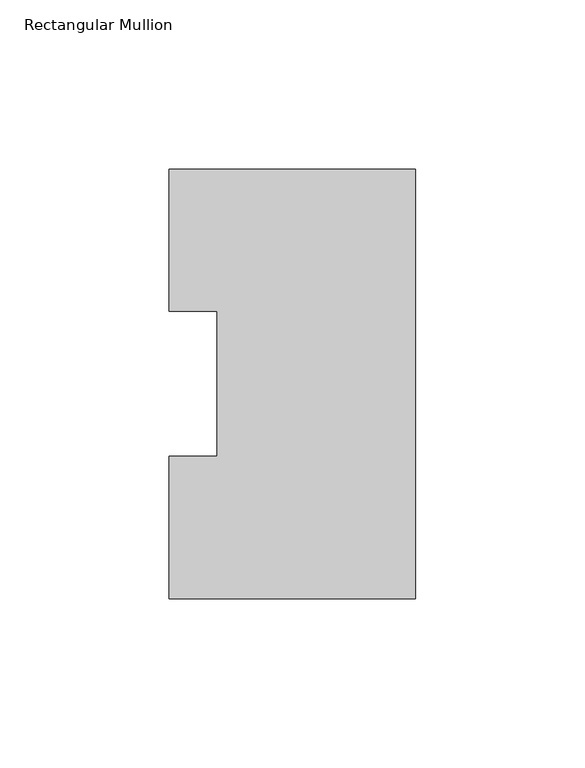
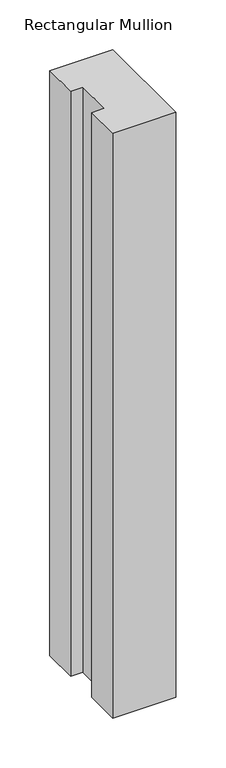
"""IFC4 building model written with IfcOpenShell, lengths in millimetres: member geometry, Rectangular Mullion."""

from ifc_helpers import new_model, si_unit, frame, origin, place, context, project, spatial, polyline, outline, extrude, source, transform, mapped, element, save


def rectangular_mullion_c2c72cf9(model_context):
    return source(origin(), model_context, "Body", "SweptSolid", [
        extrude(outline(polyline([(0.0, 127.00635), (0.0, 0.00635), (-73.025, 0.00635), (-73.025, 42.08145), (-58.7375, 42.08145), (-58.7375, 84.93125), (-73.025, 84.93125), (-73.025, 127.00635), (0.0, 127.00635)])), frame((0.0, 0.0, -717.8095563), z_axis=(0.0, 0.0, 1.0), x_axis=(1.0, 0.0, 0.0)), (0.0, 0.0, 1.0), 717.8095563),
    ])


if __name__ == "__main__":
    model = new_model("IFC4")
    model_context = context("Model", 3, world=origin())
    ifc_project = project(units=[si_unit("LENGTHUNIT", "METRE", prefix="MILLI")], contexts=[model_context])
    site = spatial("IfcSite", under=ifc_project)
    building = spatial("IfcBuilding", under=site)
    placement = place(None, origin())
    rectangular_mullion_shape = rectangular_mullion_c2c72cf9(model_context)
    element("IfcMember", 1, ObjectType="Rectangular Mullion", at=placement, inside=building, context=model_context, shape_type="MappedRepresentation", body=[
        mapped(rectangular_mullion_shape, transform((0.0, 0.0, 0.0), x_axis=(1.0, 0.0, 0.0), y_axis=(0.0, 1.0, 0.0), z_axis=(0.0, 0.0, 1.0))),
    ])
    save(model, "model.ifc")
